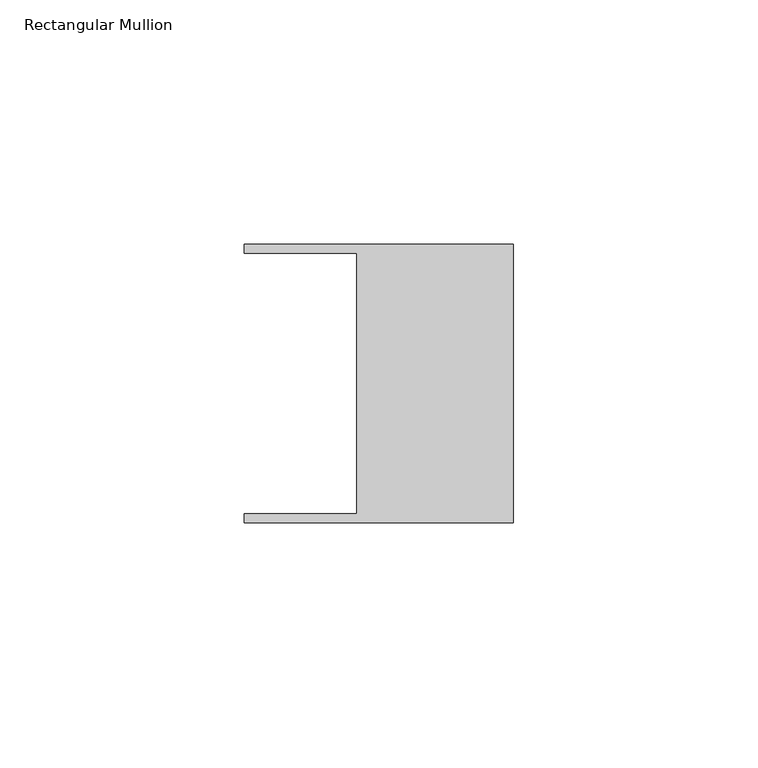
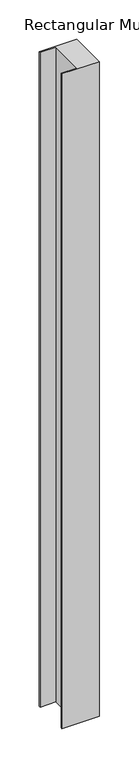
"""IFC4 building model written with IfcOpenShell, lengths in millimetres: member geometry, Rectangular Mullion."""

from ifc_helpers import new_model, si_unit, frame, origin, place, context, project, spatial, polyline, outline, extrude, source, transform, mapped, element, save


def rectangular_mullion_273d897f(model_context):
    return source(origin(), model_context, "Body", "SweptSolid", [
        extrude(outline(polyline([(-32.004, -26.67), (-32.004, 26.67), (-54.991, 26.67), (-54.991, 28.448), (0.0, 28.448), (0.0, -28.448), (-54.991, -28.448), (-54.991, -26.67), (-32.004, -26.67)])), frame((0.0, 0.0, -1015.9999516), z_axis=(0.0, 0.0, 1.0), x_axis=(1.0, 0.0, 0.0)), (0.0, 0.0, 1.0), 1015.9999516),
    ])


if __name__ == "__main__":
    model = new_model("IFC4")
    model_context = context("Model", 3, world=origin())
    ifc_project = project(units=[si_unit("LENGTHUNIT", "METRE", prefix="MILLI")], contexts=[model_context])
    site = spatial("IfcSite", under=ifc_project)
    building = spatial("IfcBuilding", under=site)
    placement = place(None, origin())
    rectangular_mullion_shape = rectangular_mullion_273d897f(model_context)
    element("IfcMember", 1, ObjectType="Rectangular Mullion", at=placement, inside=building, context=model_context, shape_type="MappedRepresentation", body=[
        mapped(rectangular_mullion_shape, transform((0.0, 0.0, 0.0), x_axis=(1.0, 0.0, 0.0), y_axis=(0.0, 1.0, 0.0), z_axis=(0.0, 0.0, 1.0))),
    ])
    save(model, "model.ifc")
